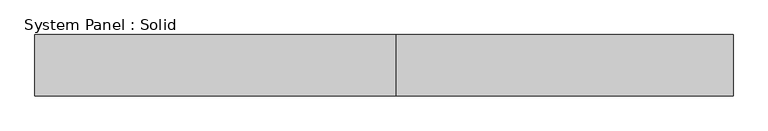
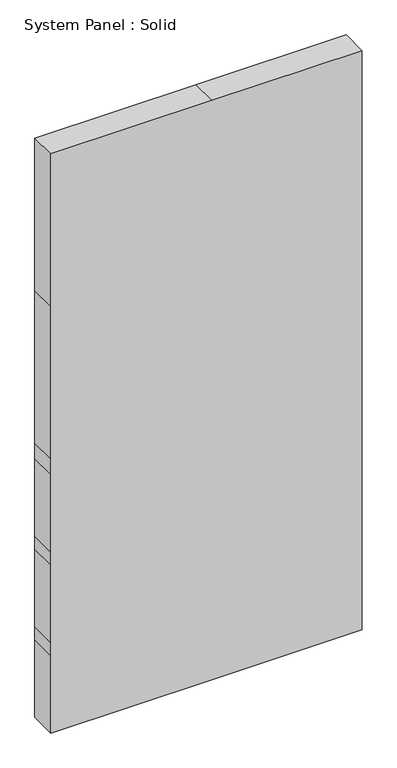
"""IFC4 building model written with IfcOpenShell, lengths in millimetres: plate geometry, System Panel : Solid."""

from ifc_helpers import new_model, si_unit, frame, origin, place, context, project, spatial, polyline, outline, extrude, source, transform, mapped, element, save


def system_panel_solid_af88b282(model_context):
    return source(origin(), model_context, "Body", "SweptSolid", [
        extrude(outline(polyline([(0.0, -570.0), (0.0, 20.0), (0.0, 570.0), (300.0, 570.0), (350.0, 570.0), (650.0, 570.0), (700.0, 570.0), (1000.0, 570.0), (1060.0, 570.0), (1650.0, 570.0), (2240.0, 570.0), (2240.0, 20.0), (2240.0, -570.0), (1650.0, -570.0), (1060.0, -570.0), (1000.0, -570.0), (700.0, -570.0), (650.0, -570.0), (350.0, -570.0), (300.0, -570.0), (0.0, -570.0)])), frame((0.0, 50.0, 0.0), z_axis=(0.0, 1.0, 0.0), x_axis=(0.0, 0.0, 1.0)), (0.0, 0.0, 1.0), 100.0),
    ])


if __name__ == "__main__":
    model = new_model("IFC4")
    model_context = context("Model", 3, world=origin())
    ifc_project = project(units=[si_unit("LENGTHUNIT", "METRE", prefix="MILLI")], contexts=[model_context])
    site = spatial("IfcSite", under=ifc_project)
    building = spatial("IfcBuilding", under=site)
    placement = place(None, origin())
    system_panel_solid_shape = system_panel_solid_af88b282(model_context)
    element("IfcPlate", 1, ObjectType="System Panel : Solid", at=placement, inside=building, context=model_context, shape_type="MappedRepresentation", body=[
        mapped(system_panel_solid_shape, transform((0.0, 0.0, 0.0), x_axis=(1.0, 0.0, 0.0), y_axis=(0.0, 1.0, 0.0), z_axis=(0.0, 0.0, 1.0))),
    ])
    save(model, "model.ifc")
